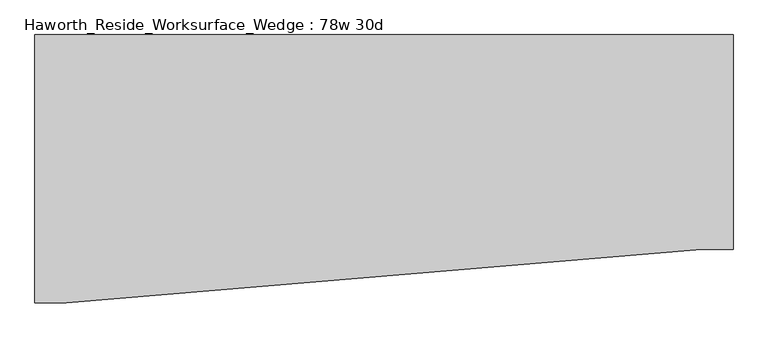
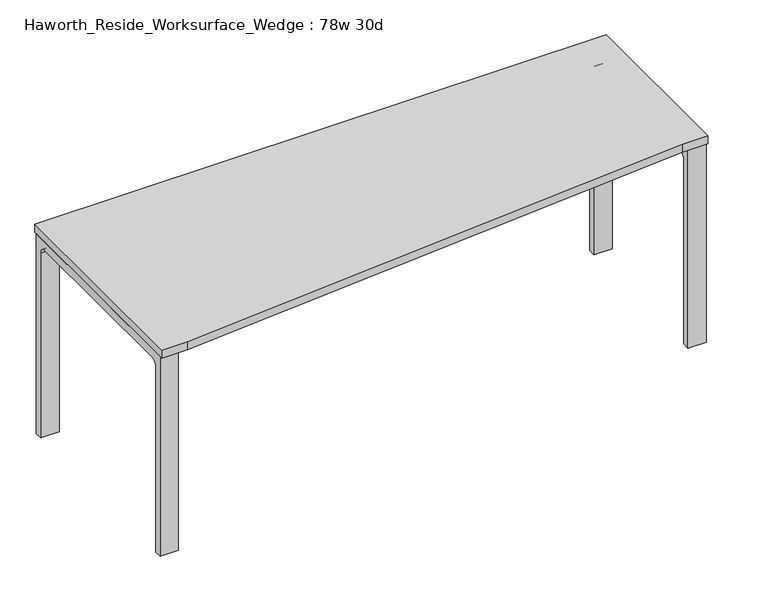
"""IFC4 building model written with IfcOpenShell, lengths in millimetres: furniture geometry, Haworth_Reside_Worksurface_Wedge : 78w 30d."""

from ifc_helpers import new_model, si_unit, point, frame, frame_2d, origin, place, context, project, spatial, polyline, circle_curve, trimmed, segment, composite_curve, outline, extrude, source, transform, mapped, element, save


def haworth_reside_worksurface_wedge_78w_30d_32976567(model_context):
    return source(origin(), model_context, "Body", "SweptSolid", [
        extrude(outline(composite_curve([segment(trimmed(circle_curve(frame_2d((396.875, 676.275)), 25.4), [point((422.275, 676.275))], [point((396.875, 701.675))], True, "CARTESIAN"), True, "CONTINUOUS"), segment(polyline([(396.875, 701.675), (-92.075, 701.675)]), True, "CONTINUOUS"), segment(trimmed(circle_curve(frame_2d((-92.075, 676.275)), 25.4), [point((-92.075, 701.675))], [point((-117.475, 676.275))], True, "CARTESIAN"), True, "CONTINUOUS"), segment(polyline([(-117.475, 676.275), (-117.475, 0.0), (-142.875, 0.0), (-142.875, 731.8375), (447.675, 731.8375), (447.675, 0.0), (422.275, 0.0), (422.275, 676.275)]), True, "CONTINUOUS")], self_intersect=False)), frame((927.1, 0.0, 0.0), z_axis=(1.0, 0.0, 0.0), x_axis=(0.0, 1.0, 0.0)), (0.0, 0.0, 1.0), 63.5),
        extrude(outline(composite_curve([segment(trimmed(circle_curve(frame_2d((396.875, 676.275)), 25.4), [point((422.275, 676.275))], [point((396.875, 701.675))], True, "CARTESIAN"), True, "CONTINUOUS"), segment(polyline([(396.875, 701.675), (-244.475, 701.675)]), True, "CONTINUOUS"), segment(trimmed(circle_curve(frame_2d((-244.475, 676.275)), 25.4), [point((-244.475, 701.675))], [point((-269.875, 676.275))], True, "CARTESIAN"), True, "CONTINUOUS"), segment(polyline([(-269.875, 676.275), (-269.875, 0.0), (-295.275, 0.0), (-295.275, 731.8375), (447.675, 731.8375), (447.675, 0.0), (422.275, 0.0), (422.275, 676.275)]), True, "CONTINUOUS")], self_intersect=False)), frame((-990.6, 0.0, 0.0), z_axis=(1.0, 0.0, 0.0), x_axis=(0.0, 1.0, 0.0)), (0.0, 0.0, 1.0), 63.5),
        extrude(outline(polyline([(990.6, 457.2), (990.6, -152.4), (901.7, -152.4), (-901.7, -304.8), (-990.6, -304.8), (-990.6, 457.2), (990.6, 457.2)])), frame((0.0, 0.0, 731.8375), z_axis=(0.0, 0.0, 1.0), x_axis=(1.0, 0.0, 0.0)), (0.0, 0.0, 1.0), 30.1625),
    ])


if __name__ == "__main__":
    model = new_model("IFC4")
    model_context = context("Model", 3, world=origin())
    ifc_project = project(units=[si_unit("LENGTHUNIT", "METRE", prefix="MILLI")], contexts=[model_context])
    site = spatial("IfcSite", under=ifc_project)
    building = spatial("IfcBuilding", under=site)
    placement = place(None, origin())
    haworth_reside_worksurface_wedge_78w_30d_shape = haworth_reside_worksurface_wedge_78w_30d_32976567(model_context)
    element("IfcFurniture", 1, ObjectType="Haworth_Reside_Worksurface_Wedge : 78w 30d", at=placement, inside=building, context=model_context, shape_type="MappedRepresentation", body=[
        mapped(haworth_reside_worksurface_wedge_78w_30d_shape, transform((0.0, 0.0, 0.0), x_axis=(1.0, 0.0, 0.0), y_axis=(0.0, 1.0, 0.0), z_axis=(0.0, 0.0, 1.0))),
    ])
    save(model, "model.ifc")
